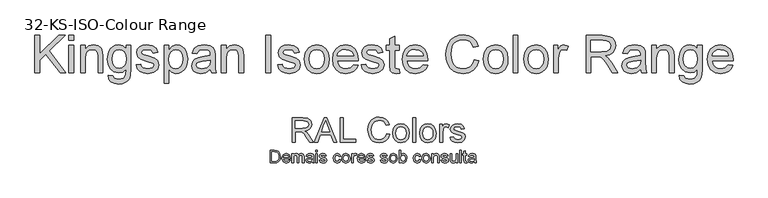
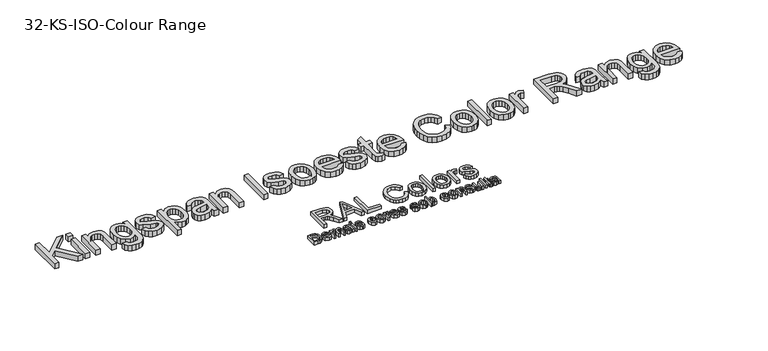
"""IFC4 building model written with IfcOpenShell, lengths in millimetres: proxy geometry, 32-KS-ISO-Colour Range."""

from ifc_helpers import new_model, si_unit, origin, origin_with_axes, place, context, project, spatial, polyline, outline, extrude, source, transform, mapped, element, save


def proxy_32_ks_iso_colour_range_090bf5c3(model_context):
    return source(origin(), model_context, "Body", "SweptSolid", [
        extrude(outline(polyline([(-450.3436876, 338.0446852), (-450.3436876, 388.2728402), (-433.0164456, 388.2728402), (-424.0523877, 387.549339), (-416.6702223, 383.9563582), (-410.7227967, 375.3724449), (-408.7484967, 363.4285428), (-410.0851346, 353.2933939), (-413.5186999, 345.9786735), (-418.1049621, 341.4230681), (-424.10757, 338.9030765), (-432.1825798, 338.0446852), (-450.3436876, 338.0446852)]), holes=[polyline([(-444.0651682, 344.3232045), (-432.955132, 344.3232045), (-424.8739908, 345.2306468), (-420.2141522, 347.793558), (-416.3943108, 354.0291578), (-415.0270161, 363.5266447), (-417.7064233, 375.4214959), (-424.2240659, 380.9887767), (-433.1268102, 381.9943208), (-444.0651682, 381.9943208), (-444.0651682, 344.3232045)])]), origin_with_axes(), (0.0, 0.0, 1.0), 15.0),
        extrude(outline(polyline([(-375.0750314, 349.0320941), (-368.9191393, 348.2472792), (-374.6764926, 340.1416125), (-385.4002527, 337.2598702), (-398.4355381, 342.2324085), (-403.2547922, 356.1812675), (-398.3864871, 370.589979), (-385.755872, 375.7158015), (-373.4870074, 370.6022417), (-368.7229356, 356.2180557), (-368.7597238, 354.5257985), (-396.9762728, 354.5257985), (-393.3648979, 346.371081), (-385.2776254, 343.5383896), (-379.1217333, 344.8505021), (-375.0750314, 349.0320941)]), holes=[polyline([(-396.9762728, 360.8043179), (-375.001455, 360.8043179), (-377.5153153, 366.4942261), (-385.7803974, 369.4372821), (-393.5120507, 367.0889687), (-396.9762728, 360.8043179)])]), origin_with_axes(), (0.0, 0.0, 1.0), 15.0),
        extrude(outline(polyline([(-362.4444162, 338.0446852), (-362.4444162, 374.9309865), (-356.1658968, 374.9309865), (-356.1658968, 368.8609336), (-351.8494148, 373.8334719), (-345.7057854, 375.7158015), (-339.4150033, 373.7966837), (-335.9569126, 368.4194752), (-331.0579507, 373.8917199), (-324.8714018, 375.7158015), (-316.6615019, 372.680775), (-313.785891, 363.330441), (-313.785891, 338.0446852), (-320.0644104, 338.0446852), (-320.0644104, 360.6326397), (-320.6468902, 365.8749581), (-322.7560803, 368.4562634), (-326.3429298, 369.4372821), (-332.5172159, 366.9234218), (-334.9758939, 358.8668061), (-334.9758939, 338.0446852), (-341.2544133, 338.0446852), (-341.2544133, 361.3316155), (-342.7075472, 367.4139311), (-347.471619, 369.4372821), (-352.1191949, 368.0883814), (-355.2094036, 364.1397813), (-356.1658968, 356.6472514), (-356.1658968, 338.0446852), (-362.4444162, 338.0446852)])), origin_with_axes(), (0.0, 0.0, 1.0), 15.0),
        extrude(outline(polyline([(-280.8236642, 342.7535747), (-286.9121112, 338.4984063), (-293.6382204, 337.2598702), (-302.7555625, 340.2397144), (-305.9377418, 347.8548717), (-304.7359939, 352.8212786), (-301.5783401, 356.4265222), (-297.1821503, 358.4866614), (-291.7497595, 359.4308918), (-280.8604524, 361.5891328), (-282.5527096, 367.6223976), (-289.4934166, 369.4372821), (-295.8455124, 368.2294029), (-298.8744074, 363.9435776), (-305.1529268, 364.7283925), (-302.4367314, 370.8597591), (-296.9675524, 374.4527399), (-288.6840762, 375.7158015), (-281.0750502, 374.5998927), (-276.7769623, 371.7978582), (-274.8517132, 367.5365584), (-274.5451448, 362.042854), (-274.5451448, 354.2314929), (-274.2263138, 343.3237918), (-272.975515, 338.0446852), (-279.2540344, 338.0446852), (-280.8236642, 342.7535747)]), holes=[polyline([(-280.8236642, 355.3106135), (-290.9526818, 353.3853644), (-296.3544158, 352.3675575), (-298.800831, 350.7120885), (-299.6592224, 348.2963301), (-297.7891556, 344.899553), (-292.3015825, 343.5383896), (-285.9494867, 345.0405744), (-281.8537338, 348.6764748), (-280.8604524, 353.5325172), (-280.8236642, 355.3106135)])]), origin_with_axes(), (0.0, 0.0, 1.0), 15.0),
        extrude(outline(polyline([(-265.9121807, 338.0446852), (-265.9121807, 374.9309865), (-259.6336613, 374.9309865), (-259.6336613, 338.0446852), (-265.9121807, 338.0446852)])), origin_with_axes(), (0.0, 0.0, 1.0), 15.0),
        extrude(outline(polyline([(-265.9121807, 381.9943208), (-265.9121807, 388.2728402), (-259.6336613, 388.2728402), (-259.6336613, 381.9943208), (-265.9121807, 381.9943208)])), origin_with_axes(), (0.0, 0.0, 1.0), 15.0),
        extrude(outline(polyline([(-252.570327, 349.0320941), (-246.2918076, 349.816909), (-243.3855398, 345.1570704), (-236.7268757, 343.5383896), (-230.325729, 345.0221803), (-228.2410644, 348.5047966), (-230.3379917, 351.3252252), (-236.8004521, 353.1155842), (-246.2550194, 356.1873989), (-250.3814291, 359.7742483), (-251.7855121, 364.8387571), (-250.6573406, 369.5169898), (-247.5793946, 373.0915766), (-243.5878749, 374.9493806), (-238.186141, 375.7158015), (-230.5464582, 374.4833968), (-225.6904159, 371.1479334), (-223.5321748, 365.5132075), (-229.8106942, 364.7283925), (-232.1712704, 368.1926147), (-237.6956316, 369.4372821), (-243.7043709, 368.247797), (-245.5069927, 365.4764193), (-244.758966, 363.649272), (-242.4167839, 362.2635832), (-237.0089186, 360.9269453), (-227.7934746, 357.9716266), (-223.5137807, 354.6239004), (-221.962545, 349.1669841), (-223.7835609, 343.1582449), (-229.038142, 338.7988432), (-236.8127149, 337.2598702), (-247.7633356, 340.2274517), (-252.570327, 349.0320941)])), origin_with_axes(), (0.0, 0.0, 1.0), 15.0),
        extrude(outline(polyline([(-171.7343899, 351.3865388), (-165.4558705, 350.6017239), (-170.4958539, 340.7976688), (-180.4531932, 337.2598702), (-192.3541757, 342.1956203), (-196.8484675, 356.3529458), (-194.9293497, 366.7824003), (-189.080026, 373.483984), (-180.5390323, 375.7158015), (-170.9924946, 372.6501182), (-166.2406855, 363.9435776), (-172.5192048, 363.1587627), (-175.431604, 367.8615209), (-180.4899814, 369.4372821), (-187.7679135, 366.3348106), (-190.5699481, 356.524624), (-187.8292272, 346.622467), (-180.6616597, 343.5383896), (-174.7448909, 345.4636387), (-171.7343899, 351.3865388)])), origin_with_axes(), (0.0, 0.0, 1.0), 15.0),
        extrude(outline(polyline([(-161.5317959, 356.4878358), (-160.1736982, 365.3813831), (-156.0994051, 371.6323113), (-145.0384198, 375.7158015), (-133.1742255, 370.7432632), (-128.5695691, 357.0028706), (-130.6051829, 345.8315207), (-136.5342143, 339.5100818), (-145.0384198, 337.2598702), (-156.9761905, 342.2140144), (-161.5317959, 356.4878358)]), holes=[polyline([(-155.2532765, 356.5000986), (-152.3470088, 346.7696198), (-145.0384198, 343.5383896), (-137.7543563, 346.7880139), (-134.8480885, 356.6963023), (-137.7727504, 366.2060519), (-145.0384198, 369.4372821), (-152.3470088, 366.2183146), (-155.2532765, 356.5000986)])]), origin_with_axes(), (0.0, 0.0, 1.0), 15.0),
        extrude(outline(polyline([(-121.5062348, 338.0446852), (-121.5062348, 374.9309865), (-116.0125304, 374.9309865), (-116.0125304, 369.4740703), (-112.1129812, 374.5017909), (-108.1889066, 375.7158015), (-101.8858618, 373.7782896), (-103.9827891, 368.1496951), (-108.3973731, 369.4372821), (-111.9474343, 368.198746), (-114.2099086, 364.7651807), (-115.2277155, 357.4320663), (-115.2277155, 338.0446852), (-121.5062348, 338.0446852)])), origin_with_axes(), (0.0, 0.0, 1.0), 15.0),
        extrude(outline(polyline([(-72.1364711, 349.0320941), (-65.980579, 348.2472792), (-71.7379323, 340.1416125), (-82.4616924, 337.2598702), (-95.4969778, 342.2324085), (-100.3162319, 356.1812675), (-95.4479268, 370.589979), (-82.8173117, 375.7158015), (-70.5484471, 370.6022417), (-65.7843753, 356.2180557), (-65.8211635, 354.5257985), (-94.0377125, 354.5257985), (-90.4263376, 346.371081), (-82.3390651, 343.5383896), (-76.183173, 344.8505021), (-72.1364711, 349.0320941)]), holes=[polyline([(-94.0377125, 360.8043179), (-72.0628947, 360.8043179), (-74.576755, 366.4942261), (-82.8418371, 369.4372821), (-90.5734904, 367.0889687), (-94.0377125, 360.8043179)])]), origin_with_axes(), (0.0, 0.0, 1.0), 15.0),
        extrude(outline(polyline([(-61.8603007, 349.0320941), (-55.5817813, 349.816909), (-52.6755135, 345.1570704), (-46.0168494, 343.5383896), (-39.6157027, 345.0221803), (-37.5310381, 348.5047966), (-39.6279654, 351.3252252), (-46.0904258, 353.1155842), (-55.5449931, 356.1873989), (-59.6714028, 359.7742483), (-61.0754858, 364.8387571), (-59.9473143, 369.5169898), (-56.8693683, 373.0915766), (-52.8778486, 374.9493806), (-47.4761147, 375.7158015), (-39.8364319, 374.4833968), (-34.9803896, 371.1479334), (-32.8221485, 365.5132075), (-39.1006679, 364.7283925), (-41.4612441, 368.1926147), (-46.9856053, 369.4372821), (-52.9943446, 368.247797), (-54.7969664, 365.4764193), (-54.0489397, 363.649272), (-51.7067576, 362.2635832), (-46.2988923, 360.9269453), (-37.0834483, 357.9716266), (-32.8037544, 354.6239004), (-31.2525187, 349.1669841), (-33.0735346, 343.1582449), (-38.3281157, 338.7988432), (-46.1026886, 337.2598702), (-57.0533093, 340.2274517), (-61.8603007, 349.0320941)])), origin_with_axes(), (0.0, 0.0, 1.0), 15.0),
        extrude(outline(polyline([(-6.9232561, 349.0320941), (-0.6447367, 349.816909), (2.2615311, 345.1570704), (8.9201952, 343.5383896), (15.3213419, 345.0221803), (17.4060065, 348.5047966), (15.3090792, 351.3252252), (8.8466188, 353.1155842), (-0.6079485, 356.1873989), (-4.7343582, 359.7742483), (-6.1384412, 364.8387571), (-5.0102697, 369.5169898), (-1.9323237, 373.0915766), (2.059196, 374.9493806), (7.4609299, 375.7158015), (15.1006127, 374.4833968), (19.956655, 371.1479334), (22.1148961, 365.5132075), (15.8363767, 364.7283925), (13.4758006, 368.1926147), (7.9514393, 369.4372821), (1.9427, 368.247797), (0.1400782, 365.4764193), (0.888105, 363.649272), (3.230287, 362.2635832), (8.6381523, 360.9269453), (17.8535963, 357.9716266), (22.1332902, 354.6239004), (23.6845259, 349.1669841), (21.86351, 343.1582449), (16.6089289, 338.7988432), (8.8343561, 337.2598702), (-2.1162647, 340.2274517), (-6.9232561, 349.0320941)])), origin_with_axes(), (0.0, 0.0, 1.0), 15.0),
        extrude(outline(polyline([(29.1782304, 356.4878358), (30.5363281, 365.3813831), (34.6106212, 371.6323113), (45.6716065, 375.7158015), (57.5358008, 370.7432632), (62.1404572, 357.0028706), (60.1048434, 345.8315207), (54.175812, 339.5100818), (45.6716065, 337.2598702), (33.7338358, 342.2140144), (29.1782304, 356.4878358)]), holes=[polyline([(35.4567498, 356.5000986), (38.3630175, 346.7696198), (45.6716065, 343.5383896), (52.95567, 346.7880139), (55.8619378, 356.6963023), (52.9372759, 366.2060519), (45.6716065, 369.4372821), (38.3630175, 366.2183146), (35.4567498, 356.5000986)])]), origin_with_axes(), (0.0, 0.0, 1.0), 15.0),
        extrude(outline(polyline([(75.4823108, 338.0446852), (69.2037915, 338.0446852), (69.2037915, 388.2728402), (75.4823108, 388.2728402), (75.4823108, 369.6457485), (85.3415483, 375.7158015), (91.6323304, 374.3485067), (96.5128982, 370.5041399), (99.5111365, 364.5260574), (100.5963884, 357.0396588), (96.1020967, 342.4224809), (85.3047601, 337.2598702), (79.7221508, 338.9245363), (75.4823108, 343.9185343), (75.4823108, 338.0446852)]), holes=[polyline([(75.4823108, 356.7453532), (77.1990935, 347.9652363), (84.7651999, 343.5383896), (91.4851776, 346.8002766), (94.317869, 356.524624), (91.6016736, 366.2857597), (85.03498, 369.4372821), (78.3150022, 366.1753951), (75.4823108, 356.7453532)])]), origin_with_axes(), (0.0, 0.0, 1.0), 15.0),
        extrude(outline(polyline([(150.8245435, 351.3865388), (157.1030628, 350.6017239), (152.0630795, 340.7976688), (142.1057402, 337.2598702), (130.2047576, 342.1956203), (125.7104659, 356.3529458), (127.6295837, 366.7824003), (133.4789074, 373.483984), (142.019901, 375.7158015), (151.5664388, 372.6501182), (156.3182479, 363.9435776), (150.0397285, 363.1587627), (147.1273294, 367.8615209), (142.068952, 369.4372821), (134.7910198, 366.3348106), (131.9889853, 356.524624), (134.7297062, 346.622467), (141.8972737, 343.5383896), (147.8140425, 345.4636387), (150.8245435, 351.3865388)])), origin_with_axes(), (0.0, 0.0, 1.0), 15.0),
        extrude(outline(polyline([(161.0271375, 356.4878358), (162.3852352, 365.3813831), (166.4595283, 371.6323113), (177.5205136, 375.7158015), (189.3847079, 370.7432632), (193.9893642, 357.0028706), (191.9537505, 345.8315207), (186.024719, 339.5100818), (177.5205136, 337.2598702), (165.5827428, 342.2140144), (161.0271375, 356.4878358)]), holes=[polyline([(167.3056568, 356.5000986), (170.2119246, 346.7696198), (177.5205136, 343.5383896), (184.8045771, 346.7880139), (187.7108448, 356.6963023), (184.786183, 366.2060519), (177.5205136, 369.4372821), (170.2119246, 366.2183146), (167.3056568, 356.5000986)])]), origin_with_axes(), (0.0, 0.0, 1.0), 15.0),
        extrude(outline(polyline([(201.0526985, 338.0446852), (201.0526985, 374.9309865), (207.3312179, 374.9309865), (207.3312179, 369.7806386), (212.132078, 374.2320107), (218.6865088, 375.7158015), (224.6155403, 374.520185), (228.6622423, 371.3809253), (230.5445718, 366.7640062), (230.8756656, 360.6939533), (230.8756656, 338.0446852), (224.5971462, 338.0446852), (224.5971462, 359.8478247), (223.873645, 365.4028429), (221.3168651, 368.3397675), (217.0065144, 369.4372821), (210.1945661, 366.9724727), (207.3312179, 357.6160073), (207.3312179, 338.0446852), (201.0526985, 338.0446852)])), origin_with_axes(), (0.0, 0.0, 1.0), 15.0),
        extrude(outline(polyline([(237.154185, 349.0320941), (243.4327044, 349.816909), (246.3389721, 345.1570704), (252.9976363, 343.5383896), (259.398783, 345.0221803), (261.4834476, 348.5047966), (259.3865202, 351.3252252), (252.9240599, 353.1155842), (243.4694926, 356.1873989), (239.3430829, 359.7742483), (237.9389999, 364.8387571), (239.0671714, 369.5169898), (242.1451174, 373.0915766), (246.136637, 374.9493806), (251.538371, 375.7158015), (259.1780538, 374.4833968), (264.0340961, 371.1479334), (266.1923371, 365.5132075), (259.9138178, 364.7283925), (257.5532416, 368.1926147), (252.0288803, 369.4372821), (246.0201411, 368.247797), (244.2175193, 365.4764193), (244.965546, 363.649272), (247.3077281, 362.2635832), (252.7155934, 360.9269453), (261.9310374, 357.9716266), (266.2107312, 354.6239004), (267.761967, 349.1669841), (265.9409511, 343.1582449), (260.68637, 338.7988432), (252.9117971, 337.2598702), (241.9611764, 340.2274517), (237.154185, 349.0320941)])), origin_with_axes(), (0.0, 0.0, 1.0), 15.0),
        extrude(outline(polyline([(298.369749, 338.0446852), (298.369749, 344.3845182), (293.452393, 339.0410322), (287.0389835, 337.2598702), (281.1344775, 338.510669), (277.0632501, 341.6499287), (275.1931833, 346.2729791), (274.8253013, 352.1100401), (274.8253013, 374.9309865), (281.1038207, 374.9309865), (281.1038207, 355.0653588), (281.4839654, 348.6642121), (283.9671689, 344.9056844), (288.6454016, 343.5383896), (293.88772, 344.9363412), (297.3519421, 348.7439198), (298.369749, 355.7398091), (298.369749, 374.9309865), (304.6482684, 374.9309865), (304.6482684, 338.0446852), (298.369749, 338.0446852)])), origin_with_axes(), (0.0, 0.0, 1.0), 15.0),
        extrude(outline(polyline([(313.2812325, 338.0446852), (313.2812325, 388.2728402), (319.5597519, 388.2728402), (319.5597519, 338.0446852), (313.2812325, 338.0446852)])), origin_with_axes(), (0.0, 0.0, 1.0), 15.0),
        extrude(outline(polyline([(342.3193847, 343.2808722), (343.1041996, 337.8607442), (338.4075728, 337.2598702), (333.1468603, 338.3022026), (330.5226354, 341.036792), (329.7623459, 348.16144), (329.7623459, 368.6524672), (325.0534564, 368.6524672), (325.0534564, 374.9309865), (329.7623459, 374.9309865), (329.7623459, 383.8950445), (336.0408653, 387.5861272), (336.0408653, 374.9309865), (342.3193847, 374.9309865), (342.3193847, 368.6524672), (336.0408653, 368.6524672), (336.0408653, 348.345381), (336.3719591, 345.1080195), (339.5847952, 343.5383896), (342.3193847, 343.2808722)])), origin_with_axes(), (0.0, 0.0, 1.0), 15.0),
        extrude(outline(polyline([(372.1423518, 342.7535747), (366.0539047, 338.4984063), (359.3277956, 337.2598702), (350.2104535, 340.2397144), (347.0282742, 347.8548717), (348.2300221, 352.8212786), (351.3876759, 356.4265222), (355.7838657, 358.4866614), (361.2162565, 359.4308918), (372.1055636, 361.5891328), (370.4133064, 367.6223976), (363.4725994, 369.4372821), (357.1205036, 368.2294029), (354.0916085, 363.9435776), (347.8130891, 364.7283925), (350.5292845, 370.8597591), (355.9984635, 374.4527399), (364.2819398, 375.7158015), (371.8909657, 374.5998927), (376.1890537, 371.7978582), (378.1143028, 367.5365584), (378.4208711, 362.042854), (378.4208711, 354.2314929), (378.7397022, 343.3237918), (379.990501, 338.0446852), (373.7119816, 338.0446852), (372.1423518, 342.7535747)]), holes=[polyline([(372.1423518, 355.3106135), (362.0133342, 353.3853644), (356.6116002, 352.3675575), (354.1651849, 350.7120885), (353.3067936, 348.2963301), (355.1768604, 344.899553), (360.6644335, 343.5383896), (367.0165293, 345.0405744), (371.1122822, 348.6764748), (372.1055636, 353.5325172), (372.1423518, 355.3106135)])]), origin_with_axes(), (0.0, 0.0, 1.0), 15.0),
        extrude(outline(polyline([(-1397.4013121, 700.0), (-1397.4013121, 850.6844652), (-1378.5657539, 850.6844652), (-1378.5657539, 776.9241252), (-1301.310535, 850.6844652), (-1274.9701841, 850.6844652), (-1339.8277798, 788.7331372), (-1272.6157393, 700.0), (-1295.6451522, 700.0), (-1353.1818963, 776.0044202), (-1378.5657539, 751.7977849), (-1378.5657539, 700.0), (-1397.4013121, 700.0)])), origin_with_axes(), (0.0, 0.0, 1.0), 25.0),
        extrude(outline(polyline([(-1260.8435155, 831.8489071), (-1260.8435155, 850.6844652), (-1242.0079573, 850.6844652), (-1242.0079573, 831.8489071), (-1260.8435155, 831.8489071)])), origin_with_axes(), (0.0, 0.0, 1.0), 25.0),
        extrude(outline(polyline([(-1260.8435155, 700.0), (-1260.8435155, 810.6589041), (-1242.0079573, 810.6589041), (-1242.0079573, 700.0), (-1260.8435155, 700.0)])), origin_with_axes(), (0.0, 0.0, 1.0), 25.0),
        extrude(outline(polyline([(-1213.7546201, 700.0), (-1213.7546201, 810.6589041), (-1194.9190619, 810.6589041), (-1194.9190619, 795.2078604), (-1180.5164818, 808.5619768), (-1160.8531892, 813.0133489), (-1143.0660947, 809.4264995), (-1130.9259889, 800.0087204), (-1125.2790003, 786.1579633), (-1124.2857189, 767.9478045), (-1124.2857189, 700.0), (-1143.121277, 700.0), (-1143.121277, 765.4094187), (-1145.2917808, 782.0744731), (-1152.9621204, 790.8852469), (-1165.8931725, 794.1777908), (-1176.9250339, 792.3291837), (-1186.3290174, 786.7833627), (-1192.7715508, 776.0687996), (-1194.9190619, 758.7139664), (-1194.9190619, 700.0), (-1213.7546201, 700.0)])), origin_with_axes(), (0.0, 0.0, 1.0), 25.0),
        extrude(outline(polyline([(-1103.095716, 690.5822209), (-1084.2601578, 688.2277762), (-1078.1533167, 678.2949623), (-1059.8695815, 674.1011075), (-1040.592565, 678.8467853), (-1031.3955151, 692.1641135), (-1030.1079281, 714.1266686), (-1043.370074, 703.5316672), (-1059.5384877, 700.0), (-1078.9580585, 704.1110813), (-1093.4388136, 716.4443252), (-1102.4473239, 734.5257252), (-1105.4501607, 755.8812751), (-1100.0606895, 785.0727114), (-1093.4664047, 796.9231102), (-1084.4624929, 805.7292854), (-1073.3570552, 811.192333), (-1060.4581927, 813.0133489), (-1043.6551826, 808.8930706), (-1030.1079281, 796.5322355), (-1030.1079281, 810.6589041), (-1011.27237, 810.6589041), (-1011.27237, 715.11995), (-1012.5599569, 693.0608259), (-1016.4227179, 678.5340856), (-1023.0767835, 668.9001758), (-1032.7382844, 661.5195433), (-1045.1956884, 656.8290479), (-1060.2374635, 655.2655494), (-1077.7624421, 657.4682428), (-1091.5626154, 664.0763232), (-1100.4147759, 675.1081845), (-1103.095716, 690.5822209)]), holes=[polyline([(-1086.6146026, 757.1688621), (-1084.6050472, 739.8922039), (-1078.576381, 728.0142139), (-1069.5126883, 721.1302221), (-1058.3980535, 718.8355582), (-1047.3661922, 721.1164265), (-1038.2565143, 727.9590316), (-1032.1450747, 739.6852702), (-1030.1079281, 756.6170391), (-1032.2048555, 772.9464011), (-1038.4956376, 784.7048294), (-1047.7386727, 791.8095504), (-1058.6923591, 794.1777908), (-1069.448309, 791.8463386), (-1078.4660164, 784.8519822), (-1084.577456, 773.2682979), (-1086.6146026, 757.1688621)])]), origin_with_axes(), (0.0, 0.0, 1.0), 25.0),
        extrude(outline(polyline([(-990.082367, 732.9622268), (-971.2468089, 735.3166715), (-968.2761618, 727.2600558), (-962.5280056, 721.3371557), (-942.5520133, 716.4811134), (-923.3485731, 720.9324855), (-917.0945792, 731.3803342), (-918.6672747, 736.1811942), (-923.3853613, 739.8416201), (-942.7727425, 745.2126972), (-971.1364443, 754.4281412), (-983.5156734, 765.1886895), (-987.7279223, 780.3822159), (-984.3434079, 794.4169141), (-975.1095698, 805.1406742), (-963.1350109, 810.7140864), (-946.929809, 813.0133489), (-924.0107607, 809.3161349), (-909.4426337, 799.3097446), (-902.9679106, 782.4055669), (-921.8034687, 780.0511222), (-928.8851971, 790.4437885), (-945.458281, 794.1777908), (-963.4844988, 790.6093354), (-968.8923641, 782.2952023), (-966.6482839, 776.8137606), (-959.6217378, 772.656694), (-943.3981418, 768.6467803), (-915.7518099, 759.7808242), (-902.9127283, 749.7376457), (-898.259021, 733.366897), (-903.7220687, 715.3406792), (-919.4858122, 702.2624743), (-942.8095307, 697.6455552), (-961.8014387, 699.8712413), (-975.6613928, 706.5482995), (-984.913625, 717.6031535), (-990.082367, 732.9622268)])), origin_with_axes(), (0.0, 0.0, 1.0), 25.0),
        extrude(outline(polyline([(-877.0690181, 657.6199942), (-877.0690181, 810.6589041), (-858.23346, 810.6589041), (-858.23346, 792.191228), (-845.2104373, 807.8078187), (-827.625678, 813.0133489), (-814.8877639, 811.192333), (-803.7501365, 805.7292854), (-794.6818453, 796.9552998), (-788.1519399, 785.2014701), (-782.8912273, 756.1755807), (-784.3765509, 740.0669478), (-788.8325216, 725.6597692), (-796.1165851, 713.6852102), (-806.0861871, 704.8744364), (-817.6974626, 699.4527755), (-829.9065463, 697.6455552), (-846.2956892, 702.4832035), (-858.23346, 714.7152798), (-858.23346, 657.6199942), (-877.0690181, 657.6199942)]), holes=[polyline([(-858.23346, 754.4465353), (-856.1963134, 737.5607517), (-850.0848738, 725.7517397), (-841.0671664, 718.79877), (-830.3112165, 716.4811134), (-819.3805227, 718.8815434), (-810.1328891, 726.0828335), (-803.8283114, 738.3241068), (-801.7267855, 755.8444869), (-803.7777276, 772.6382999), (-809.930554, 784.6128589), (-818.9344658, 791.7865578), (-829.5386643, 794.1777908), (-840.1842496, 791.6348065), (-849.5330508, 784.0058536), (-856.0583577, 771.5300554), (-858.23346, 754.4465353)])]), origin_with_axes(), (0.0, 0.0, 1.0), 25.0),
        extrude(outline(polyline([(-691.0678814, 714.1266686), (-709.3332224, 701.3611634), (-729.5115498, 697.6455552), (-745.2523007, 699.8804384), (-756.8635762, 706.5850877), (-764.0234795, 716.7662219), (-766.410114, 729.4305596), (-762.8048704, 744.3297804), (-753.331909, 755.1455111), (-740.1433395, 761.3259286), (-723.8461671, 764.15862), (-691.178246, 770.6333431), (-691.0678814, 774.8271978), (-692.3646654, 783.2333014), (-696.2550175, 788.7331372), (-704.9554267, 792.8166274), (-717.0771384, 794.1777908), (-736.1334258, 790.5541531), (-745.220111, 777.6966774), (-764.0556692, 780.0511222), (-755.907083, 798.4452219), (-739.499546, 809.2241644), (-714.6491172, 813.0133489), (-691.8220394, 809.6656228), (-678.9277755, 801.2595192), (-673.1520282, 788.4756198), (-672.2323232, 771.9945065), (-672.2323232, 748.5604234), (-671.27583, 715.8373199), (-667.5234337, 700.0), (-686.3589918, 700.0), (-691.0678814, 714.1266686)]), holes=[polyline([(-691.0678814, 751.7977849), (-721.4549342, 746.0220376), (-737.660136, 742.968617), (-744.9993818, 738.0022101), (-747.5745558, 730.7549348), (-741.9643554, 720.5646035), (-725.5016361, 716.4811134), (-706.4453488, 720.9876678), (-694.1580901, 731.895369), (-691.178246, 746.463496), (-691.0678814, 751.7977849)])]), origin_with_axes(), (0.0, 0.0, 1.0), 25.0),
        extrude(outline(polyline([(-646.3334307, 700.0), (-646.3334307, 810.6589041), (-627.4978726, 810.6589041), (-627.4978726, 795.2078604), (-613.0952925, 808.5619768), (-593.4319998, 813.0133489), (-575.6449054, 809.4264995), (-563.5047995, 800.0087204), (-557.8578109, 786.1579633), (-556.8645295, 767.9478045), (-556.8645295, 700.0), (-575.7000877, 700.0), (-575.7000877, 765.4094187), (-577.8705914, 782.0744731), (-585.540931, 790.8852469), (-598.4719832, 794.1777908), (-609.5038445, 792.3291837), (-618.907828, 786.7833627), (-625.3503614, 776.0687996), (-627.4978726, 758.7139664), (-627.4978726, 700.0), (-646.3334307, 700.0)])), origin_with_axes(), (0.0, 0.0, 1.0), 25.0),
        extrude(outline(polyline([(-467.3956283, 700.0), (-467.3956283, 850.6844652), (-448.5600701, 850.6844652), (-448.5600701, 700.0), (-467.3956283, 700.0)])), origin_with_axes(), (0.0, 0.0, 1.0), 25.0),
        extrude(outline(polyline([(-420.3067329, 732.9622268), (-401.4711747, 735.3166715), (-398.5005276, 727.2600558), (-392.7523715, 721.3371557), (-372.7763791, 716.4811134), (-353.572939, 720.9324855), (-347.3189451, 731.3803342), (-348.8916406, 736.1811942), (-353.6097272, 739.8416201), (-372.9971083, 745.2126972), (-401.3608102, 754.4281412), (-413.7400393, 765.1886895), (-417.9522881, 780.3822159), (-414.5677738, 794.4169141), (-405.3339357, 805.1406742), (-393.3593768, 810.7140864), (-377.1541749, 813.0133489), (-354.2351266, 809.3161349), (-339.6669996, 799.3097446), (-333.1922764, 782.4055669), (-352.0278346, 780.0511222), (-359.109563, 790.4437885), (-375.6826469, 794.1777908), (-393.7088647, 790.6093354), (-399.11673, 782.2952023), (-396.8726498, 776.8137606), (-389.8461037, 772.656694), (-373.6225077, 768.6467803), (-345.9761758, 759.7808242), (-333.1370941, 749.7376457), (-328.4833869, 733.366897), (-333.9464345, 715.3406792), (-349.710178, 702.2624743), (-373.0338965, 697.6455552), (-392.0258045, 699.8712413), (-405.8857587, 706.5482995), (-415.1379909, 717.6031535), (-420.3067329, 732.9622268)])), origin_with_axes(), (0.0, 0.0, 1.0), 25.0),
        extrude(outline(polyline([(-312.0022735, 755.3294521), (-307.9279804, 782.0100938), (-295.7051011, 800.7628785), (-280.6035452, 809.9507313), (-262.5221452, 813.0133489), (-242.7346924, 809.2839452), (-226.9295621, 798.095734), (-216.5690854, 780.3316322), (-213.1155932, 756.8745565), (-214.6423035, 737.8458603), (-219.2224343, 723.3605067), (-226.7226285, 712.5125864), (-237.0095288, 704.3961898), (-249.2278096, 699.3332139), (-262.5221452, 697.6455552), (-282.5487213, 701.3611634), (-298.3354574, 712.5079878), (-308.5855695, 730.6445702), (-312.0022735, 755.3294521)]), holes=[polyline([(-293.1667154, 755.3662403), (-290.9870145, 738.3195083), (-284.4479121, 726.174804), (-274.6070687, 718.904536), (-262.5221452, 716.4811134), (-250.4924039, 718.9183316), (-240.6699547, 726.2299863), (-234.1308522, 738.535639), (-231.9511514, 755.9548515), (-234.1446478, 772.5049427), (-240.725137, 784.4841002), (-250.5613818, 791.7543681), (-262.5221452, 794.1777908), (-274.6070687, 791.7635652), (-284.4479121, 784.5208884), (-290.9870145, 772.4037752), (-293.1667154, 755.3662403)])]), origin_with_axes(), (0.0, 0.0, 1.0), 25.0),
        extrude(outline(polyline([(-114.4496421, 732.9622268), (-95.981966, 730.607782), (-102.6360315, 716.6926455), (-113.2540256, 706.2907821), (-127.5968249, 699.806862), (-145.4253061, 697.6455552), (-167.525817, 701.374959), (-184.5311622, 712.5631701), (-195.374484, 730.4836218), (-198.9889246, 754.4097471), (-195.3376958, 779.1406142), (-184.3840094, 797.6358815), (-167.6085904, 809.1689821), (-146.4921639, 813.0133489), (-126.0333264, 809.1781791), (-109.6855703, 797.6726697), (-98.9664086, 779.2141906), (-95.3933548, 754.5201117), (-95.5037194, 749.4433402), (-180.1533665, 749.4433402), (-176.8930123, 735.3442627), (-169.3192417, 724.9791875), (-158.3885479, 718.6056319), (-145.0574241, 716.4811134), (-126.589748, 720.4174507), (-114.4496421, 732.9622268)]), holes=[polyline([(-180.1533665, 768.2788983), (-114.2289129, 768.2788983), (-116.7764957, 778.2301063), (-121.7704938, 785.3486229), (-132.7517714, 791.9704988), (-146.5657403, 794.1777908), (-159.2622677, 792.4165557), (-169.7607001, 787.1328506), (-177.0585592, 778.8968924), (-180.1533665, 768.2788983)])]), origin_with_axes(), (0.0, 0.0, 1.0), 25.0),
        extrude(outline(polyline([(-83.6211309, 732.9622268), (-64.7855728, 735.3166715), (-61.8149257, 727.2600558), (-56.0667695, 721.3371557), (-36.0907771, 716.4811134), (-16.887337, 720.9324855), (-10.6333431, 731.3803342), (-12.2060386, 736.1811942), (-16.9241252, 739.8416201), (-36.3115063, 745.2126972), (-64.6752082, 754.4281412), (-77.0544373, 765.1886895), (-81.2666861, 780.3822159), (-77.8821718, 794.4169141), (-68.6483337, 805.1406742), (-56.6737748, 810.7140864), (-40.4685729, 813.0133489), (-17.5495246, 809.3161349), (-2.9813976, 799.3097446), (3.4933255, 782.4055669), (-15.3422326, 780.0511222), (-22.423961, 790.4437885), (-38.9970449, 794.1777908), (-57.0232627, 790.6093354), (-62.431128, 782.2952023), (-60.1870478, 776.8137606), (-53.1605017, 772.656694), (-36.9369057, 768.6467803), (-9.2905738, 759.7808242), (3.5485078, 749.7376457), (8.2022151, 733.366897), (2.7391675, 715.3406792), (-13.024576, 702.2624743), (-36.3482945, 697.6455552), (-55.3402025, 699.8712413), (-69.2001567, 706.5482995), (-78.4523889, 717.6031535), (-83.6211309, 732.9622268)])), origin_with_axes(), (0.0, 0.0, 1.0), 25.0),
        extrude(outline(polyline([(69.4177791, 715.7085612), (71.7722238, 699.448177), (57.6823434, 697.6455552), (41.9002058, 700.7725522), (34.0275311, 708.9763207), (31.7466628, 730.3502646), (31.7466628, 791.823346), (17.6199942, 791.823346), (17.6199942, 810.6589041), (31.7466628, 810.6589041), (31.7466628, 837.551078), (50.5822209, 848.6243261), (50.5822209, 810.6589041), (69.4177791, 810.6589041), (69.4177791, 791.823346), (50.5822209, 791.823346), (50.5822209, 730.9020876), (51.5755023, 721.1900029), (54.7944698, 717.7503063), (61.2140106, 716.4811134), (69.4177791, 715.7085612)])), origin_with_axes(), (0.0, 0.0, 1.0), 25.0),
        extrude(outline(polyline([(165.7292854, 732.9622268), (184.1969616, 730.607782), (177.542896, 716.6926455), (166.9249019, 706.2907821), (152.5821026, 699.806862), (134.7536214, 697.6455552), (112.6531106, 701.374959), (95.6477653, 712.5631701), (84.8044435, 730.4836218), (81.1900029, 754.4097471), (84.8412317, 779.1406142), (95.7949181, 797.6358815), (112.5703371, 809.1689821), (133.6867636, 813.0133489), (154.1456011, 809.1781791), (170.4933573, 797.6726697), (181.2125189, 779.2141906), (184.7855728, 754.5201117), (184.6752082, 749.4433402), (100.0255611, 749.4433402), (103.2859153, 735.3442627), (110.8596858, 724.9791875), (121.7903796, 718.6056319), (135.1215034, 716.4811134), (153.5891796, 720.4174507), (165.7292854, 732.9622268)]), holes=[polyline([(100.0255611, 768.2788983), (165.9500146, 768.2788983), (163.4024318, 778.2301063), (158.4084337, 785.3486229), (147.4271562, 791.9704988), (133.6131872, 794.1777908), (120.9166599, 792.4165557), (110.4182274, 787.1328506), (103.1203684, 778.8968924), (100.0255611, 768.2788983)])]), origin_with_axes(), (0.0, 0.0, 1.0), 25.0),
        extrude(outline(polyline([(370.7867095, 753.5636185), (389.6222677, 748.7075762), (380.9310555, 726.7588166), (367.2918306, 710.7237602), (349.3759774, 700.9151065), (327.8548807, 697.6455552), (306.0072887, 700.1195616), (288.6570541, 707.5415809), (275.35812, 719.6540956), (265.6644294, 736.1995883), (259.7461278, 755.6513488), (257.7733606, 776.4826668), (260.0036452, 798.454419), (266.694499, 817.4279329), (277.4964341, 832.8008017), (292.0599626, 843.9706188), (309.3320222, 850.7718372), (328.2595509, 853.03891), (348.9115264, 850.1050511), (365.9858495, 841.3034743), (378.9490913, 827.1768057), (387.2678229, 808.2676712), (368.4322648, 803.7795108), (361.9023593, 817.5153048), (352.981221, 826.9376824), (341.558485, 832.3869345), (327.5237869, 834.2033518), (311.3461762, 832.1891979), (298.0564391, 826.1467361), (287.9718739, 816.710563), (281.4097788, 804.5152748), (276.6089188, 776.519455), (278.029863, 759.1186366), (282.2926956, 744.072263), (289.558365, 731.9551498), (299.9878196, 723.3421126), (312.4912089, 718.1963632), (325.9786825, 716.4811134), (341.7010393, 718.8171641), (354.8022368, 725.8253161), (364.693664, 737.431993), (370.7867095, 753.5636185)])), origin_with_axes(), (0.0, 0.0, 1.0), 25.0),
        extrude(outline(polyline([(408.4578258, 755.3294521), (412.5321189, 782.0100938), (424.7549982, 800.7628785), (439.8565541, 809.9507313), (457.9379542, 813.0133489), (477.725407, 809.2839452), (493.5305372, 798.095734), (503.8910139, 780.3316322), (507.3445061, 756.8745565), (505.8177959, 737.8458603), (501.237665, 723.3605067), (493.7374708, 712.5125864), (483.4505705, 704.3961898), (471.2322898, 699.3332139), (457.9379542, 697.6455552), (437.9113781, 701.3611634), (422.124642, 712.5079878), (411.8745299, 730.6445702), (408.4578258, 755.3294521)]), holes=[polyline([(427.293384, 755.3662403), (429.4730848, 738.3195083), (436.0121873, 726.174804), (445.8530306, 718.904536), (457.9379542, 716.4811134), (469.9676954, 718.9183316), (479.7901447, 726.2299863), (486.3292472, 738.535639), (488.508948, 755.9548515), (486.3154516, 772.5049427), (479.7349624, 784.4841002), (469.8987176, 791.7543681), (457.9379542, 794.1777908), (445.8530306, 791.7635652), (436.0121873, 784.5208884), (429.4730848, 772.4037752), (427.293384, 755.3662403)])]), origin_with_axes(), (0.0, 0.0, 1.0), 25.0),
        extrude(outline(polyline([(528.5345091, 700.0), (528.5345091, 850.6844652), (547.3700672, 850.6844652), (547.3700672, 700.0), (528.5345091, 700.0)])), origin_with_axes(), (0.0, 0.0, 1.0), 25.0),
        extrude(outline(polyline([(570.9145149, 755.3294521), (574.988808, 782.0100938), (587.2116873, 800.7628785), (602.3132432, 809.9507313), (620.3946433, 813.0133489), (640.1820961, 809.2839452), (655.9872263, 798.095734), (666.347703, 780.3316322), (669.8011952, 756.8745565), (668.2744849, 737.8458603), (663.6943541, 723.3605067), (656.1941599, 712.5125864), (645.9072596, 704.3961898), (633.6889789, 699.3332139), (620.3946433, 697.6455552), (600.3680671, 701.3611634), (584.581331, 712.5079878), (574.3312189, 730.6445702), (570.9145149, 755.3294521)]), holes=[polyline([(589.7500731, 755.3662403), (591.9297739, 738.3195083), (598.4688763, 726.174804), (608.3097197, 718.904536), (620.3946433, 716.4811134), (632.4243845, 718.9183316), (642.2468338, 726.2299863), (648.7859362, 738.535639), (650.9656371, 755.9548515), (648.7721407, 772.5049427), (642.1916515, 784.4841002), (632.3554066, 791.7543681), (620.3946433, 794.1777908), (608.3097197, 791.7635652), (598.4688763, 784.5208884), (591.9297739, 772.4037752), (589.7500731, 755.3662403)])]), origin_with_axes(), (0.0, 0.0, 1.0), 25.0),
        extrude(outline(polyline([(690.9911981, 700.0), (690.9911981, 810.6589041), (707.4723115, 810.6589041), (707.4723115, 794.2881554), (719.170959, 809.3713172), (730.9431828, 813.0133489), (749.8523174, 807.2008134), (743.5615352, 790.3150298), (730.3177834, 794.1777908), (719.6675997, 790.4621826), (712.8801768, 780.1614867), (709.8267563, 758.1621434), (709.8267563, 700.0), (690.9911981, 700.0)])), origin_with_axes(), (0.0, 0.0, 1.0), 25.0),
        extrude(outline(polyline([(822.8401052, 700.0), (822.8401052, 850.6844652), (887.7712773, 850.6844652), (917.9192069, 846.6193692), (927.1990302, 840.9907747), (934.4003202, 832.2351832), (939.0218378, 821.3780658), (940.5623437, 809.4448936), (938.0101623, 794.6008551), (930.3536183, 782.2952023), (917.3627853, 773.2728964), (898.8077372, 768.2788983), (909.5131033, 760.2222826), (924.7802061, 740.8349015), (949.9065463, 700.0), (928.0175676, 700.0), (908.4094573, 731.2331814), (894.2460005, 751.9081495), (884.2947925, 761.6754165), (875.3368659, 765.2622659), (864.4107707, 765.9244535), (841.6756634, 765.9244535), (841.6756634, 700.0), (822.8401052, 700.0)]), holes=[polyline([(841.6756634, 784.7600117), (883.83494, 784.7600117), (905.3376426, 787.4271562), (917.5513249, 795.9620184), (921.7267855, 808.7459178), (919.7356242, 817.9337706), (913.7621403, 825.3373958), (903.4844371, 830.2210292), (888.5806177, 831.8489071), (841.6756634, 831.8489071), (841.6756634, 784.7600117)])]), origin_with_axes(), (0.0, 0.0, 1.0), 25.0),
        extrude(outline(polyline([(1041.8034687, 714.1266686), (1023.5381277, 701.3611634), (1003.3598002, 697.6455552), (987.6190494, 699.8804384), (976.0077739, 706.5850877), (968.8478706, 716.7662219), (966.4612361, 729.4305596), (970.0664797, 744.3297804), (979.539441, 755.1455111), (992.7280106, 761.3259286), (1009.025183, 764.15862), (1041.6931041, 770.6333431), (1041.8034687, 774.8271978), (1040.5066847, 783.2333014), (1036.6163326, 788.7331372), (1027.9159234, 792.8166274), (1015.7942117, 794.1777908), (996.7379243, 790.5541531), (987.651239, 777.6966774), (968.8156809, 780.0511222), (976.9642671, 798.4452219), (993.3718041, 809.2241644), (1018.2222328, 813.0133489), (1041.0493106, 809.6656228), (1053.9435746, 801.2595192), (1059.7193219, 788.4756198), (1060.6390269, 771.9945065), (1060.6390269, 748.5604234), (1061.5955201, 715.8373199), (1065.3479164, 700.0), (1046.5123583, 700.0), (1041.8034687, 714.1266686)]), holes=[polyline([(1041.8034687, 751.7977849), (1011.4164159, 746.0220376), (995.211214, 742.968617), (987.8719682, 738.0022101), (985.2967943, 730.7549348), (990.9069947, 720.5646035), (1007.369714, 716.4811134), (1026.4260013, 720.9876678), (1038.71326, 731.895369), (1041.6931041, 746.463496), (1041.8034687, 751.7977849)])]), origin_with_axes(), (0.0, 0.0, 1.0), 25.0),
        extrude(outline(polyline([(1086.5379193, 700.0), (1086.5379193, 810.6589041), (1105.3734775, 810.6589041), (1105.3734775, 795.2078604), (1119.7760576, 808.5619768), (1139.4393502, 813.0133489), (1157.2264447, 809.4264995), (1169.3665506, 800.0087204), (1175.0135392, 786.1579633), (1176.0068206, 767.9478045), (1176.0068206, 700.0), (1157.1712624, 700.0), (1157.1712624, 765.4094187), (1155.0007586, 782.0744731), (1147.330419, 790.8852469), (1134.3993669, 794.1777908), (1123.3675056, 792.3291837), (1113.9635221, 786.7833627), (1107.5209886, 776.0687996), (1105.3734775, 758.7139664), (1105.3734775, 700.0), (1086.5379193, 700.0)])), origin_with_axes(), (0.0, 0.0, 1.0), 25.0),
        extrude(outline(polyline([(1197.1968235, 690.5822209), (1216.0323816, 688.2277762), (1222.1392228, 678.2949623), (1240.4229579, 674.1011075), (1259.6999745, 678.8467853), (1268.8970244, 692.1641135), (1270.1846113, 714.1266686), (1256.9224654, 703.5316672), (1240.7540517, 700.0), (1221.3344809, 704.1110813), (1206.8537259, 716.4443252), (1197.8452155, 734.5257252), (1194.8423787, 755.8812751), (1200.23185, 785.0727114), (1206.8261347, 796.9231102), (1215.8300465, 805.7292854), (1226.9354843, 811.192333), (1239.8343467, 813.0133489), (1256.6373569, 808.8930706), (1270.1846113, 796.5322355), (1270.1846113, 810.6589041), (1289.0201695, 810.6589041), (1289.0201695, 715.11995), (1287.7325825, 693.0608259), (1283.8698216, 678.5340856), (1277.215756, 668.9001758), (1267.5542551, 661.5195433), (1255.096851, 656.8290479), (1240.0550759, 655.2655494), (1222.5300974, 657.4682428), (1208.729924, 664.0763232), (1199.8777635, 675.1081845), (1197.1968235, 690.5822209)]), holes=[polyline([(1213.6779369, 757.1688621), (1215.6874923, 739.8922039), (1221.7161585, 728.0142139), (1230.7798511, 721.1302221), (1241.8944859, 718.8355582), (1252.9263472, 721.1164265), (1262.0360251, 727.9590316), (1268.1474648, 739.6852702), (1270.1846113, 756.6170391), (1268.087684, 772.9464011), (1261.7969018, 784.7048294), (1252.5538667, 791.8095504), (1241.6001803, 794.1777908), (1230.8442305, 791.8463386), (1221.8265231, 784.8519822), (1215.7150834, 773.2682979), (1213.6779369, 757.1688621)])]), origin_with_axes(), (0.0, 0.0, 1.0), 25.0),
        extrude(outline(polyline([(1394.7494549, 732.9622268), (1413.2171311, 730.607782), (1406.5630655, 716.6926455), (1395.9450714, 706.2907821), (1381.6022721, 699.806862), (1363.7737909, 697.6455552), (1341.67328, 701.374959), (1324.6679348, 712.5631701), (1313.824613, 730.4836218), (1310.2101724, 754.4097471), (1313.8614012, 779.1406142), (1324.8150876, 797.6358815), (1341.5905066, 809.1689821), (1362.7069331, 813.0133489), (1383.1657706, 809.1781791), (1399.5135267, 797.6726697), (1410.2326884, 779.2141906), (1413.8057423, 754.5201117), (1413.6953777, 749.4433402), (1329.0457306, 749.4433402), (1332.3060847, 735.3442627), (1339.8798553, 724.9791875), (1350.8105491, 718.6056319), (1364.1416729, 716.4811134), (1382.6093491, 720.4174507), (1394.7494549, 732.9622268)]), holes=[polyline([(1329.0457306, 768.2788983), (1394.9701841, 768.2788983), (1392.4226013, 778.2301063), (1387.4286032, 785.3486229), (1376.4473256, 791.9704988), (1362.6333567, 794.1777908), (1349.9368294, 792.4165557), (1339.4383969, 787.1328506), (1332.1405378, 778.8968924), (1329.0457306, 768.2788983)])]), origin_with_axes(), (0.0, 0.0, 1.0), 25.0),
        extrude(outline(polyline([(-361.4711747, 420.0), (-361.4711747, 520.4563101), (-318.1837267, 520.4563101), (-298.085107, 517.7462461), (-287.0976981, 508.1567888), (-282.9896824, 492.9632624), (-284.6911367, 483.0672367), (-289.7954994, 474.8634682), (-298.4560547, 468.8485976), (-310.8260867, 465.5192655), (-303.689176, 460.1481884), (-293.5111075, 447.2232676), (-276.760214, 420.0), (-291.3528665, 420.0), (-304.42494, 440.8221209), (-313.8672446, 454.605433), (-320.5013832, 461.1169443), (-326.4733343, 463.5081773), (-333.7573978, 463.9496357), (-348.914136, 463.9496357), (-348.914136, 420.0), (-361.4711747, 420.0)]), holes=[polyline([(-348.914136, 476.5066745), (-320.8079515, 476.5066745), (-306.4728165, 478.2847708), (-298.3303616, 483.974679), (-295.5467212, 492.4972785), (-300.8564847, 503.5582638), (-317.6441664, 507.8992714), (-348.914136, 507.8992714), (-348.914136, 476.5066745)])]), origin_with_axes(), (0.0, 0.0, 1.0), 15.0),
        extrude(outline(polyline([(-272.713512, 420.0), (-232.6143746, 520.4563101), (-221.9212712, 520.4563101), (-181.8221338, 420.0), (-195.0904111, 420.0), (-206.5928548, 451.3925969), (-247.9673165, 451.3925969), (-259.4452348, 420.0), (-272.713512, 420.0)]), holes=[polyline([(-243.3565288, 463.9496357), (-211.179117, 463.9496357), (-220.2290141, 488.6467803), (-227.2678229, 507.8992714), (-233.5218168, 490.8050213), (-243.3565288, 463.9496357)])]), origin_with_axes(), (0.0, 0.0, 1.0), 15.0),
        extrude(outline(polyline([(-168.4067037, 420.0), (-168.4067037, 520.4563101), (-155.8496649, 520.4563101), (-155.8496649, 432.5570388), (-105.6215098, 432.5570388), (-105.6215098, 420.0), (-168.4067037, 420.0)])), origin_with_axes(), (0.0, 0.0, 1.0), 15.0),
        extrude(outline(polyline([(18.379248, 455.709079), (30.9362868, 452.4717174), (25.1421453, 437.8392111), (16.0493287, 427.1491734), (4.1054266, 420.610071), (-10.2419712, 418.4303702), (-24.8070325, 420.0797078), (-36.3738556, 425.0277206), (-45.2398117, 433.1027304), (-51.7022721, 444.1330589), (-56.9629846, 470.9884445), (-55.4761282, 485.6362793), (-51.015559, 498.2852886), (-43.814269, 508.5338678), (-34.10525, 515.9804125), (-22.5905435, 520.5145581), (-9.9721911, 522.02594), (3.7957926, 520.0700341), (15.1786746, 514.2023162), (23.8208358, 504.7845372), (29.3666569, 492.1784475), (16.8096182, 489.1863406), (6.5089223, 504.6251216), (-10.4627004, 509.4689012), (-30.107599, 504.0978241), (-41.2053725, 489.6768499), (-44.4059458, 471.01297), (-40.6167613, 449.3815087), (-28.820012, 435.5614084), (-11.49277, 430.9874089), (-1.0111988, 432.544776), (7.7229329, 437.2168774), (14.3172176, 444.954662), (18.379248, 455.709079)])), origin_with_axes(), (0.0, 0.0, 1.0), 15.0),
        extrude(outline(polyline([(43.4933255, 456.8863014), (46.2095209, 474.6733958), (54.3581071, 487.1752523), (64.4258111, 493.3004875), (76.4800778, 495.3422326), (89.671713, 492.8559635), (100.2084665, 485.397156), (107.1154509, 473.5544214), (109.4177791, 457.916371), (105.3465517, 435.5736711), (93.4884887, 422.9307932), (76.4800778, 418.4303702), (63.129027, 420.9074423), (52.6045363, 428.3386586), (45.7711282, 440.4297135), (43.4933255, 456.8863014)]), holes=[polyline([(56.0503643, 456.9108268), (57.5034982, 445.5463389), (61.8628998, 437.4498693), (68.4234621, 432.603024), (76.4800778, 430.9874089), (84.4999053, 432.6122211), (91.0482048, 437.4866575), (95.4076064, 445.690426), (96.8607403, 457.3032343), (95.3984094, 468.3366285), (91.0114166, 476.3227335), (84.45392, 481.1695787), (76.4800778, 482.7851938), (68.4234621, 481.1757101), (61.8628998, 476.3472589), (57.5034982, 468.2691835), (56.0503643, 456.9108268)])]), origin_with_axes(), (0.0, 0.0, 1.0), 15.0),
        extrude(outline(polyline([(123.5444477, 420.0), (123.5444477, 520.4563101), (136.1014865, 520.4563101), (136.1014865, 420.0), (123.5444477, 420.0)])), origin_with_axes(), (0.0, 0.0, 1.0), 15.0),
        extrude(outline(polyline([(151.7977849, 456.8863014), (154.5139803, 474.6733958), (162.6625665, 487.1752523), (172.7302704, 493.3004875), (184.7845372, 495.3422326), (197.9761724, 492.8559635), (208.5129258, 485.397156), (215.4199103, 473.5544214), (217.7222385, 457.916371), (213.651011, 435.5736711), (201.7929481, 422.9307932), (184.7845372, 418.4303702), (171.4334864, 420.9074423), (160.9089957, 428.3386586), (154.0755876, 440.4297135), (151.7977849, 456.8863014)]), holes=[polyline([(164.3548237, 456.9108268), (165.8079576, 445.5463389), (170.1673592, 437.4498693), (176.7279215, 432.603024), (184.7845372, 430.9874089), (192.8043646, 432.6122211), (199.3526642, 437.4866575), (203.7120658, 445.690426), (205.1651997, 457.3032343), (203.7028688, 468.3366285), (199.315876, 476.3227335), (192.7583794, 481.1695787), (184.7845372, 482.7851938), (176.7279215, 481.1757101), (170.1673592, 476.3472589), (165.8079576, 468.2691835), (164.3548237, 456.9108268)])]), origin_with_axes(), (0.0, 0.0, 1.0), 15.0),
        extrude(outline(polyline([(231.8489071, 420.0), (231.8489071, 493.7726028), (242.836316, 493.7726028), (242.836316, 482.8587702), (250.6354143, 492.9142114), (258.4835635, 495.3422326), (271.0896532, 491.4672089), (266.8957985, 480.2100199), (258.0666306, 482.7851938), (250.9665081, 480.3081217), (246.4415595, 473.4409912), (244.4059458, 458.7747623), (244.4059458, 420.0), (231.8489071, 420.0)])), origin_with_axes(), (0.0, 0.0, 1.0), 15.0),
        extrude(outline(polyline([(274.2289129, 441.9748178), (286.7859517, 443.5444477), (292.5984872, 434.2247705), (305.9158154, 430.9874089), (318.7181089, 433.9549904), (322.8874381, 440.9202228), (318.6935834, 446.5610801), (305.7686626, 450.1417981), (286.8595281, 456.2854275), (278.6067087, 463.4591264), (275.7985428, 473.588144), (278.0548857, 482.9446094), (284.2107777, 490.0937828), (292.193817, 493.809391), (302.9972849, 495.3422326), (318.2766505, 492.8774232), (327.9887351, 486.2064964), (332.3052172, 474.9370446), (319.7481785, 473.3674148), (315.0270262, 480.295859), (303.9783036, 482.7851938), (291.9608251, 480.4062236), (288.3555815, 474.8634682), (289.851635, 471.2091737), (294.535999, 468.437796), (305.3517297, 465.7645202), (323.7826177, 459.8538828), (332.3420054, 453.1584305), (335.4444769, 442.244598), (331.8024452, 430.2271195), (321.2932828, 421.5083162), (305.7441372, 418.4303702), (293.0828652, 419.9141609), (283.8428957, 424.365533), (277.6747409, 431.7354356), (274.2289129, 441.9748178)])), origin_with_axes(), (0.0, 0.0, 1.0), 15.0),
    ])


if __name__ == "__main__":
    model = new_model("IFC4")
    model_context = context("Model", 3, world=origin())
    ifc_project = project(units=[si_unit("LENGTHUNIT", "METRE", prefix="MILLI")], contexts=[model_context])
    site = spatial("IfcSite", under=ifc_project)
    building = spatial("IfcBuilding", under=site)
    placement = place(None, origin())
    proxy_32_ks_iso_colour_range_shape = proxy_32_ks_iso_colour_range_090bf5c3(model_context)
    element("IfcBuildingElementProxy", 1, Name="32-KS-ISO-Colour Range", ObjectType="32-KS-ISO-Colour Range", at=placement, inside=building, context=model_context, shape_type="MappedRepresentation", body=[
        mapped(proxy_32_ks_iso_colour_range_shape, transform((0.0, 0.0, 0.0), x_axis=(1.0, 0.0, 0.0), y_axis=(0.0, 1.0, 0.0), z_axis=(0.0, 0.0, 1.0))),
    ])
    save(model, "model.ifc")
